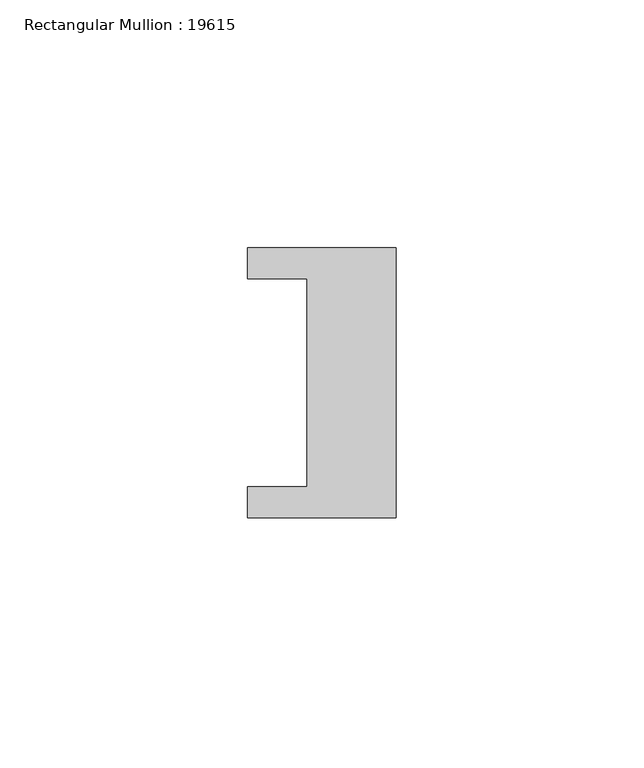
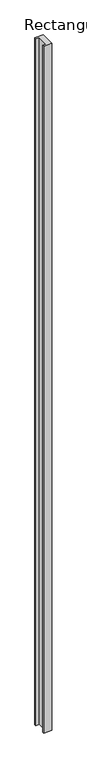
"""IFC4 building model written with IfcOpenShell, lengths in millimetres: member geometry, Rectangular Mullion : 19615."""

from ifc_helpers import new_model, si_unit, frame, origin, place, context, project, spatial, polyline, outline, extrude, source, transform, mapped, element, save


def rectangular_mullion_19615_12c13a02(model_context):
    return source(origin(), model_context, "Body", "SweptSolid", [
        extrude(outline(polyline([(0.0, -27.25), (-30.0, -27.25), (-30.0, -21.0), (-18.0, -21.0), (-18.0, 21.0), (-30.0, 21.0), (-30.0, 27.25), (0.0, 27.25), (0.0, -27.25)])), frame((0.0, 0.0, -2658.0), z_axis=(0.0, 0.0, 1.0), x_axis=(1.0, 0.0, 0.0)), (0.0, 0.0, 1.0), 2658.0),
    ])


if __name__ == "__main__":
    model = new_model("IFC4")
    model_context = context("Model", 3, world=origin())
    ifc_project = project(units=[si_unit("LENGTHUNIT", "METRE", prefix="MILLI")], contexts=[model_context])
    site = spatial("IfcSite", under=ifc_project)
    building = spatial("IfcBuilding", under=site)
    placement = place(None, origin())
    rectangular_mullion_19615_shape = rectangular_mullion_19615_12c13a02(model_context)
    element("IfcMember", 1, ObjectType="Rectangular Mullion : 19615", at=placement, inside=building, context=model_context, shape_type="MappedRepresentation", body=[
        mapped(rectangular_mullion_19615_shape, transform((0.0, 0.0, 0.0), x_axis=(1.0, 0.0, 0.0), y_axis=(0.0, 1.0, 0.0), z_axis=(0.0, 0.0, 1.0))),
    ])
    save(model, "model.ifc")
